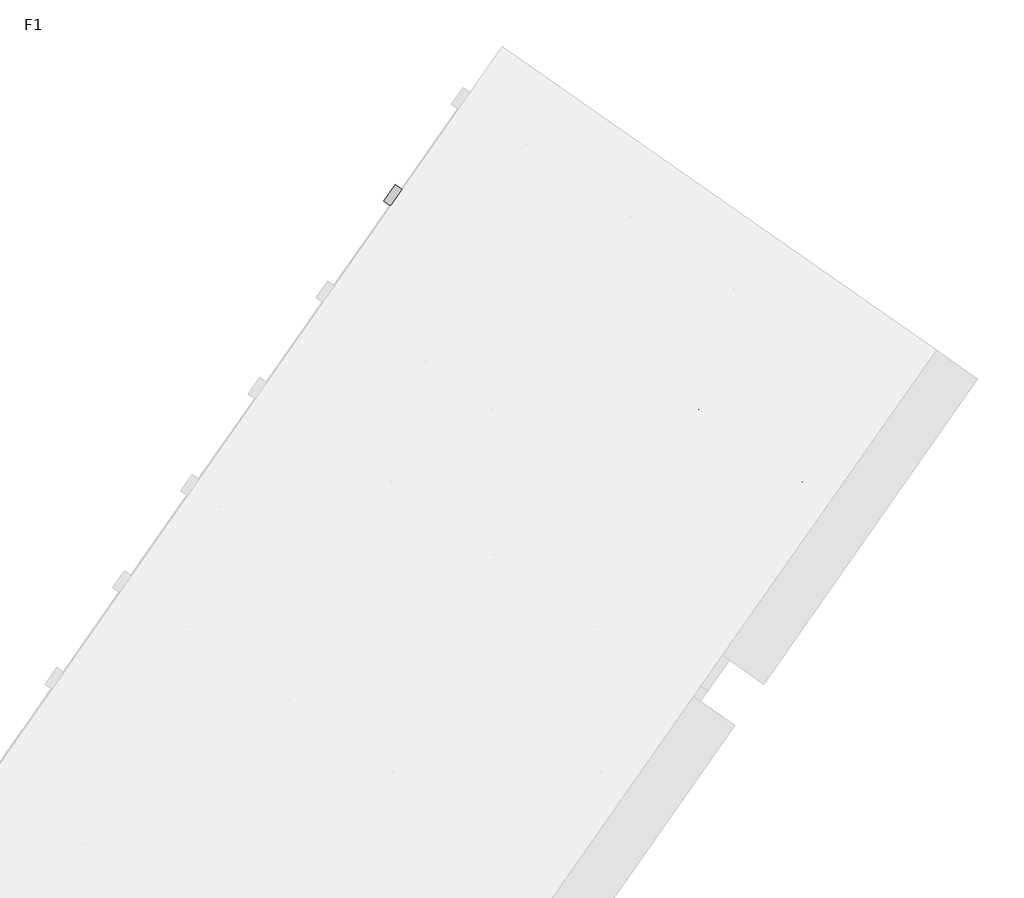
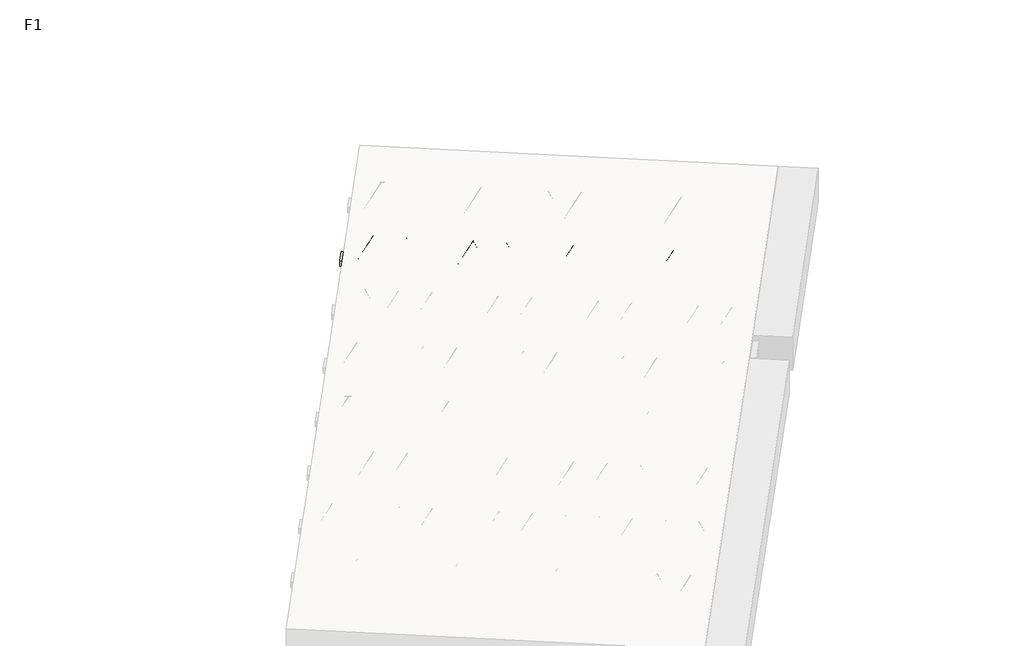
# One storey, part 15 of 30: 2 beams.
"""IFC4 building model written with IfcOpenShell, lengths in millimetres."""

from ifc_helpers import new_model, si_unit, point, frame, origin, origin_2d, place, context, project, spatial, polyline, circle_curve, trimmed, segment, composite_curve, outline, extrude, element, save

model = new_model("IFC4")

# Units and contexts
model_context = context("Model", 3, world=origin())
ifc_project = project(units=[si_unit("LENGTHUNIT", "METRE", prefix="MILLI")], contexts=[model_context])

# Site, building, storey
site = spatial("IfcSite", under=ifc_project)
building = spatial("IfcBuilding", under=site)
storey = spatial("IfcBuildingStorey", under=building, Name="F1", Elevation=99520.0)

# Beams
placement = place(None, origin())
element("IfcBeam", 1, at=placement, inside=storey, context=model_context, shape_type="SweptSolid", body=[
    extrude(outline(polyline([(7231.5291764, 173.8962486), (7300.3583487, 272.1944939), (9954.4109722, -1586.1931599), (9885.5817998, -1684.4914052), (7231.5291764, 173.8962486)])), frame((0.0, 0.0, 99720.0), z_axis=(0.0, 0.0, 1.0), x_axis=(1.0, 0.0, 0.0)), (0.0, 0.0, 1.0), 50.0),
])
element("IfcBeam", 2, at=placement, inside=storey, context=model_context, shape_type="SweptSolid", body=[
    extrude(outline(composite_curve([segment(trimmed(circle_curve(origin_2d(), 2.5), [point((-2.5, 0.0))], [point((2.5, 0.0))], False, "CARTESIAN"), True, "CONTINUOUS"), segment(trimmed(circle_curve(origin_2d(), 2.5), [point((2.5, 0.0))], [point((-2.5, 0.0))], False, "CARTESIAN"), True, "CONTINUOUS")], self_intersect=False)), frame((9879.6879852, -1651.0659217, 99745.0), z_axis=(-0.8191520442696126, 0.5735764363787226, 0.0), x_axis=(0.5735764363787226, 0.8191520442696126, 0.0)), (0.0, 0.0, 1.0), 3192.0),
    extrude(outline(composite_curve([segment(trimmed(circle_curve(origin_2d(), 2.5), [point((-2.5, 0.0))], [point((2.4999999, 0.0))], False, "CARTESIAN"), True, "CONTINUOUS"), segment(trimmed(circle_curve(origin_2d(), 2.5), [point((2.4999999, 0.0))], [point((-2.5, 0.0))], False, "CARTESIAN"), True, "CONTINUOUS")], self_intersect=False)), frame((9760.2617374, -1523.4948775, 99970.0), z_axis=(-0.8191520442696126, 0.5735764363787226, 0.0), x_axis=(0.5735764363787226, 0.8191520442696126, 0.0)), (0.0, 0.0, 1.0), 2850.0),
    extrude(outline(composite_curve([segment(trimmed(circle_curve(origin_2d(), 2.5), [point((-2.5, 0.0))], [point((2.5, 0.0))], False, "CARTESIAN"), True, "CONTINUOUS"), segment(trimmed(circle_curve(origin_2d(), 2.5), [point((2.5, 0.0))], [point((-2.5, 0.0))], False, "CARTESIAN"), True, "CONTINUOUS")], self_intersect=False)), frame((9801.049389, -1596.0025838, 99745.0), z_axis=(-0.3145304735701046, 0.38933448886848654, 0.8657304643902053), x_axis=(0.7778747638402499, 0.6284193279813057, 0.0)), (0.0, 0.0, 1.0), 259.8961331),
    extrude(outline(composite_curve([segment(trimmed(circle_curve(origin_2d(), 2.5), [point((2.5, 0.0))], [point((-2.5, 0.0))], False, "CARTESIAN"), True, "CONTINUOUS"), segment(trimmed(circle_curve(origin_2d(), 2.5), [point((-2.5, 0.0))], [point((2.5, 0.0))], False, "CARTESIAN"), True, "CONTINUOUS")], self_intersect=False)), frame((9596.2613779, -1452.6084747, 99745.0), z_axis=(0.47343050384693375, -0.16240172737369005, 0.8657304643902051), x_axis=(-0.3244721671091268, -0.9458952440791246, 0.0)), (0.0, 0.0, 1.0), 259.8961331),
    extrude(outline(composite_curve([segment(trimmed(circle_curve(origin_2d(), 2.5), [point((-2.5, 0.0))], [point((2.5, 0.0))], False, "CARTESIAN"), True, "CONTINUOUS"), segment(trimmed(circle_curve(origin_2d(), 2.5), [point((2.5, 0.0))], [point((-2.5, 0.0))], False, "CARTESIAN"), True, "CONTINUOUS")], self_intersect=False)), frame((9596.2613779, -1452.6084747, 99745.0), z_axis=(-0.3145304735701046, 0.38933448886848654, 0.8657304643902053), x_axis=(0.7778747638402499, 0.6284193279813057, 0.0)), (0.0, 0.0, 1.0), 259.8961331),
    extrude(outline(composite_curve([segment(trimmed(circle_curve(origin_2d(), 2.5), [point((2.5, 0.0))], [point((-2.5, 1e-07))], False, "CARTESIAN"), True, "CONTINUOUS"), segment(trimmed(circle_curve(origin_2d(), 2.5), [point((-2.5, 1e-07))], [point((2.5, 0.0))], False, "CARTESIAN"), True, "CONTINUOUS")], self_intersect=False)), frame((9391.4733668, -1309.2143656, 99745.0), z_axis=(0.47343050384693375, -0.16240172737369005, 0.8657304643902051), x_axis=(-0.3244721671091268, -0.9458952440791246, 0.0)), (0.0, 0.0, 1.0), 259.8961331),
    extrude(outline(composite_curve([segment(trimmed(circle_curve(origin_2d(), 2.5), [point((-2.5, 0.0))], [point((2.5, 0.0))], False, "CARTESIAN"), True, "CONTINUOUS"), segment(trimmed(circle_curve(origin_2d(), 2.5), [point((2.5, 0.0))], [point((-2.5, 0.0))], False, "CARTESIAN"), True, "CONTINUOUS")], self_intersect=False)), frame((9391.4733668, -1309.2143656, 99745.0), z_axis=(-0.3145304735701046, 0.38933448886848654, 0.8657304643902053), x_axis=(0.7778747638402499, 0.6284193279813057, 0.0)), (0.0, 0.0, 1.0), 259.8961331),
    extrude(outline(composite_curve([segment(trimmed(circle_curve(origin_2d(), 2.5), [point((2.5, -1e-07))], [point((-2.5, 0.0))], False, "CARTESIAN"), True, "CONTINUOUS"), segment(trimmed(circle_curve(origin_2d(), 2.5), [point((-2.5, 0.0))], [point((2.5, -1e-07))], False, "CARTESIAN"), True, "CONTINUOUS")], self_intersect=False)), frame((9186.6853558, -1165.8202565, 99745.0), z_axis=(0.47343050384693375, -0.16240172737369005, 0.8657304643902051), x_axis=(-0.3244721671091268, -0.9458952440791246, 0.0)), (0.0, 0.0, 1.0), 259.8961331),
    extrude(outline(composite_curve([segment(trimmed(circle_curve(origin_2d(), 2.5), [point((-2.5, -1e-07))], [point((2.5, 0.0))], False, "CARTESIAN"), True, "CONTINUOUS"), segment(trimmed(circle_curve(origin_2d(), 2.5), [point((2.5, 0.0))], [point((-2.5, -1e-07))], False, "CARTESIAN"), True, "CONTINUOUS")], self_intersect=False)), frame((9186.6853558, -1165.8202565, 99745.0), z_axis=(-0.3145304735701046, 0.38933448886848654, 0.8657304643902053), x_axis=(0.7778747638402499, 0.6284193279813057, 0.0)), (0.0, 0.0, 1.0), 259.8961331),
    extrude(outline(composite_curve([segment(trimmed(circle_curve(origin_2d(), 2.5), [point((2.5, 0.0))], [point((-2.5, 0.0))], False, "CARTESIAN"), True, "CONTINUOUS"), segment(trimmed(circle_curve(origin_2d(), 2.5), [point((-2.5, 0.0))], [point((2.5, 0.0))], False, "CARTESIAN"), True, "CONTINUOUS")], self_intersect=False)), frame((8981.8973447, -1022.4261474, 99745.0), z_axis=(0.47343050384693375, -0.16240172737369005, 0.8657304643902051), x_axis=(-0.3244721671091268, -0.9458952440791246, 0.0)), (0.0, 0.0, 1.0), 259.8961331),
    extrude(outline(composite_curve([segment(trimmed(circle_curve(origin_2d(), 2.5), [point((-2.5, -1e-07))], [point((2.5, 0.0))], False, "CARTESIAN"), True, "CONTINUOUS"), segment(trimmed(circle_curve(origin_2d(), 2.5), [point((2.5, 0.0))], [point((-2.5, -1e-07))], False, "CARTESIAN"), True, "CONTINUOUS")], self_intersect=False)), frame((8981.8973447, -1022.4261474, 99745.0), z_axis=(-0.3145304735701046, 0.38933448886848654, 0.8657304643902053), x_axis=(0.7778747638402499, 0.6284193279813057, 0.0)), (0.0, 0.0, 1.0), 259.8961331),
    extrude(outline(composite_curve([segment(trimmed(circle_curve(origin_2d(), 2.5), [point((2.5000001, 0.0))], [point((-2.5, 0.0))], False, "CARTESIAN"), True, "CONTINUOUS"), segment(trimmed(circle_curve(origin_2d(), 2.5), [point((-2.5, 0.0))], [point((2.5000001, 0.0))], False, "CARTESIAN"), True, "CONTINUOUS")], self_intersect=False)), frame((8777.1093336, -879.0320383, 99745.0), z_axis=(0.47343050384693375, -0.16240172737369005, 0.8657304643902051), x_axis=(-0.3244721671091268, -0.9458952440791246, 0.0)), (0.0, 0.0, 1.0), 259.8961331),
    extrude(outline(composite_curve([segment(trimmed(circle_curve(origin_2d(), 2.5), [point((-2.5, -1e-07))], [point((2.5, 0.0))], False, "CARTESIAN"), True, "CONTINUOUS"), segment(trimmed(circle_curve(origin_2d(), 2.5), [point((2.5, 0.0))], [point((-2.5, -1e-07))], False, "CARTESIAN"), True, "CONTINUOUS")], self_intersect=False)), frame((8777.1093336, -879.0320383, 99745.0), z_axis=(-0.3145304735701046, 0.38933448886848654, 0.8657304643902053), x_axis=(0.7778747638402499, 0.6284193279813057, 0.0)), (0.0, 0.0, 1.0), 259.8961331),
    extrude(outline(composite_curve([segment(trimmed(circle_curve(origin_2d(), 2.5), [point((2.5000001, 0.0))], [point((-2.5, 0.0))], False, "CARTESIAN"), True, "CONTINUOUS"), segment(trimmed(circle_curve(origin_2d(), 2.5), [point((-2.5, 0.0))], [point((2.5000001, 0.0))], False, "CARTESIAN"), True, "CONTINUOUS")], self_intersect=False)), frame((8572.3213226, -735.6379292, 99745.0), z_axis=(0.47343050384693375, -0.16240172737369005, 0.8657304643902051), x_axis=(-0.3244721671091268, -0.9458952440791246, 0.0)), (0.0, 0.0, 1.0), 259.8961331),
    extrude(outline(composite_curve([segment(trimmed(circle_curve(origin_2d(), 2.5), [point((-2.5, -1e-07))], [point((2.5, 0.0))], False, "CARTESIAN"), True, "CONTINUOUS"), segment(trimmed(circle_curve(origin_2d(), 2.5), [point((2.5, 0.0))], [point((-2.5, -1e-07))], False, "CARTESIAN"), True, "CONTINUOUS")], self_intersect=False)), frame((8572.3213226, -735.6379292, 99745.0), z_axis=(-0.3145304735701046, 0.38933448886848654, 0.8657304643902053), x_axis=(0.7778747638402499, 0.6284193279813057, 0.0)), (0.0, 0.0, 1.0), 259.8961331),
    extrude(outline(composite_curve([segment(trimmed(circle_curve(origin_2d(), 2.5), [point((2.5, 0.0))], [point((-2.5000001, 0.0))], False, "CARTESIAN"), True, "CONTINUOUS"), segment(trimmed(circle_curve(origin_2d(), 2.5), [point((-2.5000001, 0.0))], [point((2.5, 0.0))], False, "CARTESIAN"), True, "CONTINUOUS")], self_intersect=False)), frame((8367.5333115, -592.2438202, 99745.0), z_axis=(0.47343050384693375, -0.16240172737369005, 0.8657304643902051), x_axis=(-0.3244721671091268, -0.9458952440791246, 0.0)), (0.0, 0.0, 1.0), 259.8961331),
    extrude(outline(composite_curve([segment(trimmed(circle_curve(origin_2d(), 2.5), [point((-2.5, 0.0))], [point((2.5, 1e-07))], False, "CARTESIAN"), True, "CONTINUOUS"), segment(trimmed(circle_curve(origin_2d(), 2.5), [point((2.5, 1e-07))], [point((-2.5, 0.0))], False, "CARTESIAN"), True, "CONTINUOUS")], self_intersect=False)), frame((8367.5333115, -592.2438202, 99745.0), z_axis=(-0.3145304735701046, 0.38933448886848654, 0.8657304643902053), x_axis=(0.7778747638402499, 0.6284193279813057, 0.0)), (0.0, 0.0, 1.0), 259.8961331),
    extrude(outline(composite_curve([segment(trimmed(circle_curve(origin_2d(), 2.5), [point((2.5, 0.0))], [point((-2.5000001, 0.0))], False, "CARTESIAN"), True, "CONTINUOUS"), segment(trimmed(circle_curve(origin_2d(), 2.5), [point((-2.5000001, 0.0))], [point((2.5, 0.0))], False, "CARTESIAN"), True, "CONTINUOUS")], self_intersect=False)), frame((8162.7453004, -448.8497111, 99745.0), z_axis=(0.47343050384693375, -0.16240172737369005, 0.8657304643902051), x_axis=(-0.3244721671091268, -0.9458952440791246, 0.0)), (0.0, 0.0, 1.0), 259.8961331),
    extrude(outline(composite_curve([segment(trimmed(circle_curve(origin_2d(), 2.5), [point((-2.5, 0.0))], [point((2.5, 1e-07))], False, "CARTESIAN"), True, "CONTINUOUS"), segment(trimmed(circle_curve(origin_2d(), 2.5), [point((2.5, 1e-07))], [point((-2.5, 0.0))], False, "CARTESIAN"), True, "CONTINUOUS")], self_intersect=False)), frame((8162.7453004, -448.8497111, 99745.0), z_axis=(-0.3145304735701046, 0.38933448886848654, 0.8657304643902053), x_axis=(0.7778747638402499, 0.6284193279813057, 0.0)), (0.0, 0.0, 1.0), 259.8961331),
    extrude(outline(composite_curve([segment(trimmed(circle_curve(origin_2d(), 2.5), [point((2.5, -1e-07))], [point((-2.5, 0.0))], False, "CARTESIAN"), True, "CONTINUOUS"), segment(trimmed(circle_curve(origin_2d(), 2.5), [point((-2.5, 0.0))], [point((2.5, -1e-07))], False, "CARTESIAN"), True, "CONTINUOUS")], self_intersect=False)), frame((7957.9572894, -305.455602, 99745.0), z_axis=(0.47343050384693375, -0.16240172737369005, 0.8657304643902051), x_axis=(-0.3244721671091268, -0.9458952440791246, 0.0)), (0.0, 0.0, 1.0), 259.8961331),
    extrude(outline(composite_curve([segment(trimmed(circle_curve(origin_2d(), 2.5), [point((-2.5, 0.0))], [point((2.5, 1e-07))], False, "CARTESIAN"), True, "CONTINUOUS"), segment(trimmed(circle_curve(origin_2d(), 2.5), [point((2.5, 1e-07))], [point((-2.5, 0.0))], False, "CARTESIAN"), True, "CONTINUOUS")], self_intersect=False)), frame((7957.9572894, -305.455602, 99745.0), z_axis=(-0.3145304735701046, 0.38933448886848654, 0.8657304643902053), x_axis=(0.7778747638402499, 0.6284193279813057, 0.0)), (0.0, 0.0, 1.0), 259.8961331),
    extrude(outline(composite_curve([segment(trimmed(circle_curve(origin_2d(), 2.5), [point((2.5, 0.0))], [point((-2.5, 0.0))], False, "CARTESIAN"), True, "CONTINUOUS"), segment(trimmed(circle_curve(origin_2d(), 2.5), [point((-2.5, 0.0))], [point((2.5, 0.0))], False, "CARTESIAN"), True, "CONTINUOUS")], self_intersect=False)), frame((7753.1692783, -162.0614929, 99745.0), z_axis=(0.47343050384693375, -0.16240172737369005, 0.8657304643902051), x_axis=(-0.3244721671091268, -0.9458952440791246, 0.0)), (0.0, 0.0, 1.0), 259.8961331),
    extrude(outline(composite_curve([segment(trimmed(circle_curve(origin_2d(), 2.5), [point((-2.5, 0.0))], [point((2.5, 1e-07))], False, "CARTESIAN"), True, "CONTINUOUS"), segment(trimmed(circle_curve(origin_2d(), 2.5), [point((2.5, 1e-07))], [point((-2.5, 0.0))], False, "CARTESIAN"), True, "CONTINUOUS")], self_intersect=False)), frame((7753.1692783, -162.0614929, 99745.0), z_axis=(-0.3145304735701046, 0.38933448886848654, 0.8657304643902053), x_axis=(0.7778747638402499, 0.6284193279813057, 0.0)), (0.0, 0.0, 1.0), 259.8961331),
    extrude(outline(composite_curve([segment(trimmed(circle_curve(origin_2d(), 2.5), [point((2.5, 0.0))], [point((-2.5, 0.0))], False, "CARTESIAN"), True, "CONTINUOUS"), segment(trimmed(circle_curve(origin_2d(), 2.5), [point((-2.5, 0.0))], [point((2.5, 0.0))], False, "CARTESIAN"), True, "CONTINUOUS")], self_intersect=False)), frame((7548.3812672, -18.6673838, 99745.0), z_axis=(0.47343050384693375, -0.16240172737369005, 0.8657304643902051), x_axis=(-0.3244721671091268, -0.9458952440791246, 0.0)), (0.0, 0.0, 1.0), 259.8961331),
    extrude(outline(composite_curve([segment(trimmed(circle_curve(origin_2d(), 2.5), [point((-2.5, 0.0))], [point((2.5, 0.0))], False, "CARTESIAN"), True, "CONTINUOUS"), segment(trimmed(circle_curve(origin_2d(), 2.5), [point((2.5, 0.0))], [point((-2.5, 0.0))], False, "CARTESIAN"), True, "CONTINUOUS")], self_intersect=False)), frame((7548.3812672, -18.6673838, 99745.0), z_axis=(-0.3145304735701046, 0.38933448886848654, 0.8657304643902053), x_axis=(0.7778747638402499, 0.6284193279813057, 0.0)), (0.0, 0.0, 1.0), 259.8961331),
    extrude(outline(composite_curve([segment(trimmed(circle_curve(origin_2d(), 2.5), [point((2.5, -1e-07))], [point((-2.5, 0.0))], False, "CARTESIAN"), True, "CONTINUOUS"), segment(trimmed(circle_curve(origin_2d(), 2.5), [point((-2.5, 0.0))], [point((2.5, -1e-07))], False, "CARTESIAN"), True, "CONTINUOUS")], self_intersect=False)), frame((7343.5932562, 124.7267253, 99745.0), z_axis=(0.47343050384693375, -0.16240172737369005, 0.8657304643902051), x_axis=(-0.3244721671091268, -0.9458952440791246, 0.0)), (0.0, 0.0, 1.0), 259.8961331),
    extrude(outline(composite_curve([segment(trimmed(circle_curve(origin_2d(), 2.5), [point((-2.5, 0.0))], [point((2.5, 0.0))], False, "CARTESIAN"), True, "CONTINUOUS"), segment(trimmed(circle_curve(origin_2d(), 2.5), [point((2.5, 0.0))], [point((-2.5, 0.0))], False, "CARTESIAN"), True, "CONTINUOUS")], self_intersect=False)), frame((9920.9854886, -1592.0869745, 99745.0), z_axis=(-0.8191520442696126, 0.5735764363787226, 0.0), x_axis=(0.5735764363787226, 0.8191520442696126, 0.0)), (0.0, 0.0, 1.0), 3192.0),
    extrude(outline(composite_curve([segment(trimmed(circle_curve(origin_2d(), 2.5), [point((-2.5, 0.0))], [point((2.5, 0.0))], False, "CARTESIAN"), True, "CONTINUOUS"), segment(trimmed(circle_curve(origin_2d(), 2.5), [point((2.5, 0.0))], [point((-2.5, 0.0))], False, "CARTESIAN"), True, "CONTINUOUS")], self_intersect=False)), frame((9842.3468924, -1537.0236366, 99745.0), z_axis=(-0.47343050384693375, 0.16240172737369005, 0.8657304643902051), x_axis=(0.3244721671091268, 0.9458952440791246, 0.0)), (0.0, 0.0, 1.0), 259.8961331),
    extrude(outline(composite_curve([segment(trimmed(circle_curve(origin_2d(), 2.5), [point((2.5, 1e-07))], [point((-2.5, 0.0))], False, "CARTESIAN"), True, "CONTINUOUS"), segment(trimmed(circle_curve(origin_2d(), 2.5), [point((-2.5, 0.0))], [point((2.5, 1e-07))], False, "CARTESIAN"), True, "CONTINUOUS")], self_intersect=False)), frame((9637.5588813, -1393.6295275, 99745.0), z_axis=(0.3145304735701046, -0.38933448886848654, 0.8657304643902053), x_axis=(-0.7778747638402499, -0.6284193279813057, 0.0)), (0.0, 0.0, 1.0), 259.8961331),
    extrude(outline(composite_curve([segment(trimmed(circle_curve(origin_2d(), 2.5), [point((-2.5, 0.0))], [point((2.5, 0.0))], False, "CARTESIAN"), True, "CONTINUOUS"), segment(trimmed(circle_curve(origin_2d(), 2.5), [point((2.5, 0.0))], [point((-2.5, 0.0))], False, "CARTESIAN"), True, "CONTINUOUS")], self_intersect=False)), frame((9637.5588813, -1393.6295275, 99745.0), z_axis=(-0.47343050384693375, 0.16240172737369005, 0.8657304643902051), x_axis=(0.3244721671091268, 0.9458952440791246, 0.0)), (0.0, 0.0, 1.0), 259.8961331),
    extrude(outline(composite_curve([segment(trimmed(circle_curve(origin_2d(), 2.5), [point((2.5000001, 0.0))], [point((-2.5, 0.0))], False, "CARTESIAN"), True, "CONTINUOUS"), segment(trimmed(circle_curve(origin_2d(), 2.5), [point((-2.5, 0.0))], [point((2.5000001, 0.0))], False, "CARTESIAN"), True, "CONTINUOUS")], self_intersect=False)), frame((9432.7708703, -1250.2354184, 99745.0), z_axis=(0.3145304735701046, -0.38933448886848654, 0.8657304643902053), x_axis=(-0.7778747638402499, -0.6284193279813057, 0.0)), (0.0, 0.0, 1.0), 259.8961331),
    extrude(outline(composite_curve([segment(trimmed(circle_curve(origin_2d(), 2.5), [point((-2.5, 1e-07))], [point((2.5, 0.0))], False, "CARTESIAN"), True, "CONTINUOUS"), segment(trimmed(circle_curve(origin_2d(), 2.5), [point((2.5, 0.0))], [point((-2.5, 1e-07))], False, "CARTESIAN"), True, "CONTINUOUS")], self_intersect=False)), frame((9432.7708703, -1250.2354184, 99745.0), z_axis=(-0.47343050384693375, 0.16240172737369005, 0.8657304643902051), x_axis=(0.3244721671091268, 0.9458952440791246, 0.0)), (0.0, 0.0, 1.0), 259.8961331),
    extrude(outline(composite_curve([segment(trimmed(circle_curve(origin_2d(), 2.5), [point((2.5, 1e-07))], [point((-2.5, 0.0))], False, "CARTESIAN"), True, "CONTINUOUS"), segment(trimmed(circle_curve(origin_2d(), 2.5), [point((-2.5, 0.0))], [point((2.5, 1e-07))], False, "CARTESIAN"), True, "CONTINUOUS")], self_intersect=False)), frame((9227.9828592, -1106.8413093, 99745.0), z_axis=(0.3145304735701046, -0.38933448886848654, 0.8657304643902053), x_axis=(-0.7778747638402499, -0.6284193279813057, 0.0)), (0.0, 0.0, 1.0), 259.8961331),
    extrude(outline(composite_curve([segment(trimmed(circle_curve(origin_2d(), 2.5), [point((-2.5000001, 0.0))], [point((2.5, 0.0))], False, "CARTESIAN"), True, "CONTINUOUS"), segment(trimmed(circle_curve(origin_2d(), 2.5), [point((2.5, 0.0))], [point((-2.5000001, 0.0))], False, "CARTESIAN"), True, "CONTINUOUS")], self_intersect=False)), frame((9227.9828592, -1106.8413093, 99745.0), z_axis=(-0.47343050384693375, 0.16240172737369005, 0.8657304643902051), x_axis=(0.3244721671091268, 0.9458952440791246, 0.0)), (0.0, 0.0, 1.0), 259.8961331),
    extrude(outline(composite_curve([segment(trimmed(circle_curve(origin_2d(), 2.5), [point((2.5, 0.0))], [point((-2.5, -1e-07))], False, "CARTESIAN"), True, "CONTINUOUS"), segment(trimmed(circle_curve(origin_2d(), 2.5), [point((-2.5, -1e-07))], [point((2.5, 0.0))], False, "CARTESIAN"), True, "CONTINUOUS")], self_intersect=False)), frame((9023.1948481, -963.4472003, 99745.0), z_axis=(0.3145304735701046, -0.38933448886848654, 0.8657304643902053), x_axis=(-0.7778747638402499, -0.6284193279813057, 0.0)), (0.0, 0.0, 1.0), 259.8961331),
    extrude(outline(composite_curve([segment(trimmed(circle_curve(origin_2d(), 2.5), [point((-2.5000001, 0.0))], [point((2.5, 0.0))], False, "CARTESIAN"), True, "CONTINUOUS"), segment(trimmed(circle_curve(origin_2d(), 2.5), [point((2.5, 0.0))], [point((-2.5000001, 0.0))], False, "CARTESIAN"), True, "CONTINUOUS")], self_intersect=False)), frame((9023.1948481, -963.4472002, 99745.0), z_axis=(-0.47343050384693375, 0.16240172737369005, 0.8657304643902051), x_axis=(0.3244721671091268, 0.9458952440791246, 0.0)), (0.0, 0.0, 1.0), 259.8961331),
    extrude(outline(composite_curve([segment(trimmed(circle_curve(origin_2d(), 2.5), [point((2.5000001, -1e-07))], [point((-2.5, -1e-07))], False, "CARTESIAN"), True, "CONTINUOUS"), segment(trimmed(circle_curve(origin_2d(), 2.5), [point((-2.5, -1e-07))], [point((2.5000001, -1e-07))], False, "CARTESIAN"), True, "CONTINUOUS")], self_intersect=False)), frame((8818.4068371, -820.0530912, 99745.0), z_axis=(0.3145304735701046, -0.38933448886848654, 0.8657304643902053), x_axis=(-0.7778747638402499, -0.6284193279813057, 0.0)), (0.0, 0.0, 1.0), 259.8961331),
    extrude(outline(composite_curve([segment(trimmed(circle_curve(origin_2d(), 2.5), [point((-2.5, 0.0))], [point((2.5000001, 0.0))], False, "CARTESIAN"), True, "CONTINUOUS"), segment(trimmed(circle_curve(origin_2d(), 2.5), [point((2.5000001, 0.0))], [point((-2.5, 0.0))], False, "CARTESIAN"), True, "CONTINUOUS")], self_intersect=False)), frame((8818.406837, -820.0530912, 99745.0), z_axis=(-0.47343050384693375, 0.16240172737369005, 0.8657304643902051), x_axis=(0.3244721671091268, 0.9458952440791246, 0.0)), (0.0, 0.0, 1.0), 259.8961331),
    extrude(outline(composite_curve([segment(trimmed(circle_curve(origin_2d(), 2.5), [point((2.5, 0.0))], [point((-2.5, -1e-07))], False, "CARTESIAN"), True, "CONTINUOUS"), segment(trimmed(circle_curve(origin_2d(), 2.5), [point((-2.5, -1e-07))], [point((2.5, 0.0))], False, "CARTESIAN"), True, "CONTINUOUS")], self_intersect=False)), frame((8613.618826, -676.6589821, 99745.0), z_axis=(0.3145304735701046, -0.38933448886848654, 0.8657304643902053), x_axis=(-0.7778747638402499, -0.6284193279813057, 0.0)), (0.0, 0.0, 1.0), 259.8961331),
    extrude(outline(composite_curve([segment(trimmed(circle_curve(origin_2d(), 2.5), [point((-2.5, 0.0))], [point((2.5, 0.0))], False, "CARTESIAN"), True, "CONTINUOUS"), segment(trimmed(circle_curve(origin_2d(), 2.5), [point((2.5, 0.0))], [point((-2.5, 0.0))], False, "CARTESIAN"), True, "CONTINUOUS")], self_intersect=False)), frame((8613.618826, -676.6589821, 99745.0), z_axis=(-0.47343050384693375, 0.16240172737369005, 0.8657304643902051), x_axis=(0.3244721671091268, 0.9458952440791246, 0.0)), (0.0, 0.0, 1.0), 259.8961331),
    extrude(outline(composite_curve([segment(trimmed(circle_curve(origin_2d(), 2.5), [point((2.5, 0.0))], [point((-2.5, -1e-07))], False, "CARTESIAN"), True, "CONTINUOUS"), segment(trimmed(circle_curve(origin_2d(), 2.5), [point((-2.5, -1e-07))], [point((2.5, 0.0))], False, "CARTESIAN"), True, "CONTINUOUS")], self_intersect=False)), frame((8408.8308149, -533.264873, 99745.0), z_axis=(0.3145304735701046, -0.38933448886848654, 0.8657304643902053), x_axis=(-0.7778747638402499, -0.6284193279813057, 0.0)), (0.0, 0.0, 1.0), 259.8961331),
    extrude(outline(composite_curve([segment(trimmed(circle_curve(origin_2d(), 2.5), [point((-2.5, 0.0))], [point((2.5, 0.0))], False, "CARTESIAN"), True, "CONTINUOUS"), segment(trimmed(circle_curve(origin_2d(), 2.5), [point((2.5, 0.0))], [point((-2.5, 0.0))], False, "CARTESIAN"), True, "CONTINUOUS")], self_intersect=False)), frame((8408.8308149, -533.264873, 99745.0), z_axis=(-0.47343050384693375, 0.16240172737369005, 0.8657304643902051), x_axis=(0.3244721671091268, 0.9458952440791246, 0.0)), (0.0, 0.0, 1.0), 259.8961331),
    extrude(outline(composite_curve([segment(trimmed(circle_curve(origin_2d(), 2.5), [point((2.5, 0.0))], [point((-2.5000001, 1e-07))], False, "CARTESIAN"), True, "CONTINUOUS"), segment(trimmed(circle_curve(origin_2d(), 2.5), [point((-2.5000001, 1e-07))], [point((2.5, 0.0))], False, "CARTESIAN"), True, "CONTINUOUS")], self_intersect=False)), frame((8204.0428038, -389.8707639, 99745.0), z_axis=(0.3145304735701046, -0.38933448886848654, 0.8657304643902053), x_axis=(-0.7778747638402499, -0.6284193279813057, 0.0)), (0.0, 0.0, 1.0), 259.8961331),
    extrude(outline(composite_curve([segment(trimmed(circle_curve(origin_2d(), 2.5), [point((-2.5, 0.0))], [point((2.5, -1e-07))], False, "CARTESIAN"), True, "CONTINUOUS"), segment(trimmed(circle_curve(origin_2d(), 2.5), [point((2.5, -1e-07))], [point((-2.5, 0.0))], False, "CARTESIAN"), True, "CONTINUOUS")], self_intersect=False)), frame((8204.0428038, -389.8707639, 99745.0), z_axis=(-0.47343050384693375, 0.16240172737369005, 0.8657304643902051), x_axis=(0.3244721671091268, 0.9458952440791246, 0.0)), (0.0, 0.0, 1.0), 259.8961331),
    extrude(outline(composite_curve([segment(trimmed(circle_curve(origin_2d(), 2.5), [point((2.5, 0.0))], [point((-2.5, 0.0))], False, "CARTESIAN"), True, "CONTINUOUS"), segment(trimmed(circle_curve(origin_2d(), 2.5), [point((-2.5, 0.0))], [point((2.5, 0.0))], False, "CARTESIAN"), True, "CONTINUOUS")], self_intersect=False)), frame((7999.2547928, -246.4766548, 99745.0), z_axis=(0.3145304735701046, -0.38933448886848654, 0.8657304643902053), x_axis=(-0.7778747638402499, -0.6284193279813057, 0.0)), (0.0, 0.0, 1.0), 259.8961331),
    extrude(outline(composite_curve([segment(trimmed(circle_curve(origin_2d(), 2.5), [point((-2.5, 0.0))], [point((2.5, 0.0))], False, "CARTESIAN"), True, "CONTINUOUS"), segment(trimmed(circle_curve(origin_2d(), 2.5), [point((2.5, 0.0))], [point((-2.5, 0.0))], False, "CARTESIAN"), True, "CONTINUOUS")], self_intersect=False)), frame((7999.2547928, -246.4766548, 99745.0), z_axis=(-0.47343050384693375, 0.16240172737369005, 0.8657304643902051), x_axis=(0.3244721671091268, 0.9458952440791246, 0.0)), (0.0, 0.0, 1.0), 259.8961331),
    extrude(outline(composite_curve([segment(trimmed(circle_curve(origin_2d(), 2.5), [point((2.5, 0.0))], [point((-2.5, 0.0))], False, "CARTESIAN"), True, "CONTINUOUS"), segment(trimmed(circle_curve(origin_2d(), 2.5), [point((-2.5, 0.0))], [point((2.5, 0.0))], False, "CARTESIAN"), True, "CONTINUOUS")], self_intersect=False)), frame((7794.4667817, -103.0825457, 99745.0), z_axis=(0.3145304735701046, -0.38933448886848654, 0.8657304643902053), x_axis=(-0.7778747638402499, -0.6284193279813057, 0.0)), (0.0, 0.0, 1.0), 259.8961331),
    extrude(outline(composite_curve([segment(trimmed(circle_curve(origin_2d(), 2.5), [point((-2.5, 0.0))], [point((2.5, 0.0))], False, "CARTESIAN"), True, "CONTINUOUS"), segment(trimmed(circle_curve(origin_2d(), 2.5), [point((2.5, 0.0))], [point((-2.5, 0.0))], False, "CARTESIAN"), True, "CONTINUOUS")], self_intersect=False)), frame((7794.4667817, -103.0825457, 99745.0), z_axis=(-0.47343050384693375, 0.16240172737369005, 0.8657304643902051), x_axis=(0.3244721671091268, 0.9458952440791246, 0.0)), (0.0, 0.0, 1.0), 259.8961331),
    extrude(outline(composite_curve([segment(trimmed(circle_curve(origin_2d(), 2.5), [point((2.5, 0.0))], [point((-2.5000001, 1e-07))], False, "CARTESIAN"), True, "CONTINUOUS"), segment(trimmed(circle_curve(origin_2d(), 2.5), [point((-2.5000001, 1e-07))], [point((2.5, 0.0))], False, "CARTESIAN"), True, "CONTINUOUS")], self_intersect=False)), frame((7589.6787706, 40.3115634, 99745.0), z_axis=(0.3145304735701046, -0.38933448886848654, 0.8657304643902053), x_axis=(-0.7778747638402499, -0.6284193279813057, 0.0)), (0.0, 0.0, 1.0), 259.8961331),
    extrude(outline(composite_curve([segment(trimmed(circle_curve(origin_2d(), 2.5), [point((-2.5, 0.0))], [point((2.5, -1e-07))], False, "CARTESIAN"), True, "CONTINUOUS"), segment(trimmed(circle_curve(origin_2d(), 2.5), [point((2.5, -1e-07))], [point((-2.5, 0.0))], False, "CARTESIAN"), True, "CONTINUOUS")], self_intersect=False)), frame((7589.6787706, 40.3115634, 99745.0), z_axis=(-0.47343050384693375, 0.16240172737369005, 0.8657304643902051), x_axis=(0.3244721671091268, 0.9458952440791246, 0.0)), (0.0, 0.0, 1.0), 259.8961331),
    extrude(outline(composite_curve([segment(trimmed(circle_curve(origin_2d(), 2.5), [point((2.5, 0.0))], [point((-2.5, 0.0))], False, "CARTESIAN"), True, "CONTINUOUS"), segment(trimmed(circle_curve(origin_2d(), 2.5), [point((-2.5, 0.0))], [point((2.5, 0.0))], False, "CARTESIAN"), True, "CONTINUOUS")], self_intersect=False)), frame((7384.8907596, 183.7056725, 99745.0), z_axis=(0.3145304735701046, -0.38933448886848654, 0.8657304643902053), x_axis=(-0.7778747638402499, -0.6284193279813057, 0.0)), (0.0, 0.0, 1.0), 259.8961331),
])

save(model, "model.ifc")
